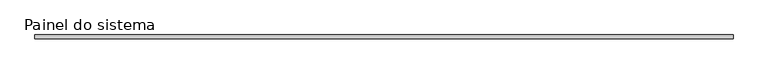
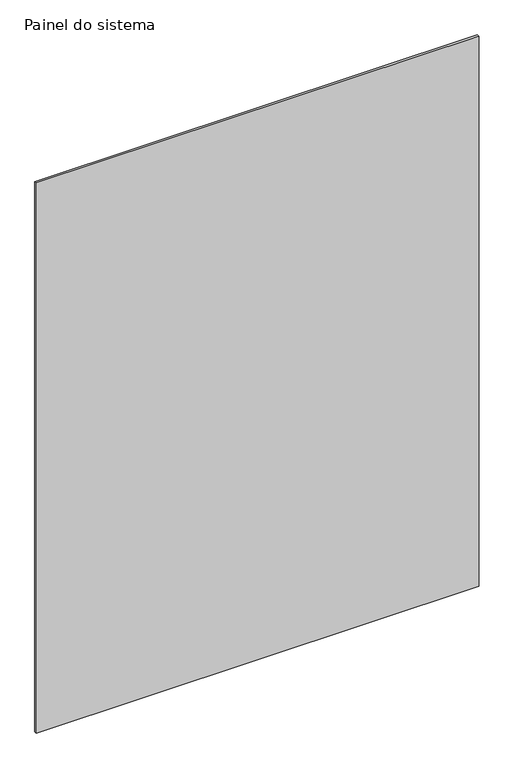
"""IFC4 building model written with IfcOpenShell, lengths in millimetres: plate geometry, Painel do sistema."""

import ifcopenshell
import ifcopenshell.guid

model = None  # the IFC model being written
_history = None  # IfcOwnerHistory: only IFC2X3 demands one
_inside = {}  # id of a spatial element -> (the spatial element, [elements in it])
_under = {}  # id of a project, library or spatial element -> (it, [spatial elements below it])
_declared = {}  # id of a project -> (the project, [libraries it declares])
_typed = {}  # id of a type object -> (the type object, [elements of that type])
_made_of = {}  # id of a material, layer set ... -> (it, [elements and type objects made of it])


def new_model(schema):
    """Start an empty IFC model of exactly this schema.

    Asked for "IFC4X3", IfcOpenShell would pick the latest addendum, in which some entities
    have other attributes; the version numbers below select the first issue.
    IFC2X3 requires an IfcOwnerHistory on every rooted entity: one is made here for all.
    """
    global model, _history
    if schema == "IFC4X3":
        model = ifcopenshell.file(schema_version=(4, 3, 0, 0))
    else:
        model = ifcopenshell.file(schema=schema)
    _inside.clear()
    _under.clear()
    _declared.clear()
    _typed.clear()
    _made_of.clear()
    _history = None
    if model.schema == "IFC2X3":
        org = make("IfcOrganization", Name="unknown")
        user = make(
            "IfcPersonAndOrganization",
            ThePerson=make("IfcPerson", FamilyName="unknown"),
            TheOrganization=org,
        )
        app = make(
            "IfcApplication",
            ApplicationDeveloper=org,
            Version="unknown",
            ApplicationFullName="unknown",
            ApplicationIdentifier="unknown",
        )
        _history = make(
            "IfcOwnerHistory",
            OwningUser=user,
            OwningApplication=app,
            ChangeAction="ADDED",
            CreationDate=0,
        )
    return model


def make(cls, **values):
    """One entity of the class cls with the attributes given. An attribute that is None is left unset."""
    return model.create_entity(
        cls, **{name: value for name, value in values.items() if value is not None}
    )


def rooted(cls, **values):
    """An entity with a GlobalId (a new one), such as an element, a storey or a relation."""
    return make(cls, GlobalId=ifcopenshell.guid.new(), OwnerHistory=_history, **values)


def si_unit(unit_type, name, prefix=None):
    """IfcSIUnit, for example si_unit("LENGTHUNIT", "METRE", prefix="MILLI")."""
    return make("IfcSIUnit", UnitType=unit_type, Prefix=prefix, Name=name)


def assignment(units):
    """IfcUnitAssignment: the units of a project."""
    return None if units is None else make("IfcUnitAssignment", Units=units)


def point(xyz):
    """IfcCartesianPoint."""
    return None if xyz is None else make("IfcCartesianPoint", Coordinates=xyz)


def direction(xyz):
    """IfcDirection."""
    return None if xyz is None else make("IfcDirection", DirectionRatios=xyz)


def frame(location, z_axis=None, x_axis=None):
    """IfcAxis2Placement3D, a coordinate frame: its origin and axes. An axis left out is left unset."""
    return make(
        "IfcAxis2Placement3D",
        Location=point(location),
        Axis=direction(z_axis),
        RefDirection=direction(x_axis),
    )


def origin():
    """The frame at (0, 0, 0) with its axes left unset."""
    return frame((0.0, 0.0, 0.0))


def origin_with_axes():
    """The frame at (0, 0, 0) with the z axis (0, 0, 1) and the x axis (1, 0, 0) written out."""
    return frame((0.0, 0.0, 0.0), z_axis=(0.0, 0.0, 1.0), x_axis=(1.0, 0.0, 0.0))


def place(relative_to, where):
    """IfcLocalPlacement: puts the frame where relative to a parent placement (None: the world)."""
    return make(
        "IfcLocalPlacement", PlacementRelTo=relative_to, RelativePlacement=where
    )


def context(
    kind, dimensions, precision=None, world=None, true_north=None, identifier=None
):
    """IfcGeometricRepresentationContext, for example the 3D "Model" context."""
    return make(
        "IfcGeometricRepresentationContext",
        ContextIdentifier=identifier,
        ContextType=kind,
        CoordinateSpaceDimension=dimensions,
        Precision=precision,
        WorldCoordinateSystem=world,
        TrueNorth=true_north,
    )


def project(units=None, contexts=None):
    """IfcProject with its units and contexts."""
    return rooted(
        "IfcProject",
        Name="project",
        RepresentationContexts=contexts,
        UnitsInContext=assignment(units),
    )


def spatial(cls, under=None, at=None, **own):
    """A site, building, storey or space (cls), placed at a placement, below another one or the project."""
    s = rooted(cls, ObjectPlacement=at, **own)
    if under is not None:
        _under.setdefault(under.id(), (under, []))[1].append(s)
    return s


def polyline(points):
    """IfcPolyline through the points."""
    return make("IfcPolyline", Points=[point(p) for p in points])


def outline(outer, holes=None, kind="AREA"):
    """IfcArbitraryClosedProfileDef: a profile drawn as a closed curve; with holes, ...WithVoids."""
    if holes is None:
        return make("IfcArbitraryClosedProfileDef", ProfileType=kind, OuterCurve=outer)
    return make(
        "IfcArbitraryProfileDefWithVoids",
        ProfileType=kind,
        OuterCurve=outer,
        InnerCurves=holes,
    )


def extrude(swept, where, along, depth):
    """IfcExtrudedAreaSolid: the profile swept, set in the frame where, extruded along a direction by depth."""
    return make(
        "IfcExtrudedAreaSolid",
        SweptArea=swept,
        Position=where,
        ExtrudedDirection=direction(along),
        Depth=depth,
    )


def shape(context_of_items, identifier, shape_type, items):
    """IfcShapeRepresentation: the items that make up one representation, for example the "Body"."""
    return make(
        "IfcShapeRepresentation",
        ContextOfItems=context_of_items,
        RepresentationIdentifier=identifier,
        RepresentationType=shape_type,
        Items=items,
    )


def source(mapping_origin, context_of_items, identifier, shape_type, items):
    """IfcRepresentationMap: a shape defined once, which mapped items show again and again."""
    return make(
        "IfcRepresentationMap",
        MappingOrigin=mapping_origin,
        MappedRepresentation=shape(context_of_items, identifier, shape_type, items),
    )


def transform(
    local_origin,
    x_axis=None,
    y_axis=None,
    z_axis=None,
    scale=None,
    scale2=None,
    scale3=None,
    uniform=True,
):
    """IfcCartesianTransformationOperator3D, or its non-uniform kind. x_axis, y_axis, z_axis: its Axis1, 2, 3."""
    if uniform:
        return make(
            "IfcCartesianTransformationOperator3D",
            Axis1=direction(x_axis),
            Axis2=direction(y_axis),
            LocalOrigin=point(local_origin),
            Scale=scale,
            Axis3=direction(z_axis),
        )
    return make(
        "IfcCartesianTransformationOperator3DnonUniform",
        Axis1=direction(x_axis),
        Axis2=direction(y_axis),
        LocalOrigin=point(local_origin),
        Scale=scale,
        Axis3=direction(z_axis),
        Scale2=scale2,
        Scale3=scale3,
    )


def mapped(mapping_source, mapping_target):
    """IfcMappedItem: shows the shape of a source again, moved by a transform."""
    return make(
        "IfcMappedItem", MappingSource=mapping_source, MappingTarget=mapping_target
    )


def made_of(thing, what):
    """Note that an element or type object is made of a material, layer set ...; save() writes the relation."""
    if what is not None:
        _made_of.setdefault(what.id(), (what, []))[1].append(thing)
    return thing


def element(
    cls,
    number,
    at=None,
    inside=None,
    cuts=None,
    type_object=None,
    material=None,
    context=None,
    identifier="Body",
    shape_type=None,
    held_by="IfcProductDefinitionShape",
    body=None,
    shapes=None,
    **own,
):
    """One element of the class cls, such as IfcWall. Its Tag is "e" and its number.

    at: its placement. inside: the storey or other place that contains it. cuts: it is an
    opening in that element (IfcRelVoidsElement). A single representation is given by context,
    identifier, shape_type and body (its items); several are given by shapes. held_by: the class
    of the entity that holds the representations. save() writes the other relations.
    """
    e = rooted(cls, Tag="e%d" % number, ObjectPlacement=at, **own)
    if body is not None:
        shapes = [shape(context, identifier, shape_type, body)]
    if shapes is not None:
        e.Representation = make(held_by, Representations=shapes)
    if inside is not None:
        _inside.setdefault(inside.id(), (inside, []))[1].append(e)
    if cuts is not None:
        rooted(
            "IfcRelVoidsElement", RelatingBuildingElement=cuts, RelatedOpeningElement=e
        )
    if type_object is not None:
        _typed.setdefault(type_object.id(), (type_object, []))[1].append(e)
    return made_of(e, material)


def aggregate(whole, parts):
    """IfcRelAggregates: a whole, such as a stair, and the parts it consists of."""
    return rooted("IfcRelAggregates", RelatingObject=whole, RelatedObjects=parts)


def save(model, path):
    """Write the relations noted so far, then the file.

    IfcRelAggregates (storeys below a building ...), IfcRelContainedInSpatialStructure (elements
    in a storey), IfcRelDefinesByType, IfcRelAssociatesMaterial and IfcRelDeclares: one each for
    every whole, place, type object, material and project.
    """
    for whole, parts in _under.values():
        aggregate(whole, parts)
    for where, things in _inside.values():
        rooted(
            "IfcRelContainedInSpatialStructure",
            RelatedElements=things,
            RelatingStructure=where,
        )
    for kind, things in _typed.values():
        rooted("IfcRelDefinesByType", RelatedObjects=things, RelatingType=kind)
    for what, things in _made_of.values():
        rooted("IfcRelAssociatesMaterial", RelatedObjects=things, RelatingMaterial=what)
    for by, libraries in _declared.values():
        rooted("IfcRelDeclares", RelatingContext=by, RelatedDefinitions=libraries)
    model.write(path)


def painel_do_sistema_cfdf01eb(model_context):
    return source(origin(), model_context, "Body", "SweptSolid", [
        extrude(outline(polyline([(2302.8429503, 24.5), (-2302.8429503, 24.5), (-2302.8429503, 49.5), (2302.8429503, 49.5), (2302.8429503, 24.5)])), origin_with_axes(), (0.0, 0.0, 1.0), 6050.0),
    ])


if __name__ == "__main__":
    model = new_model("IFC4")
    model_context = context("Model", 3, world=origin())
    ifc_project = project(units=[si_unit("LENGTHUNIT", "METRE", prefix="MILLI")], contexts=[model_context])
    site = spatial("IfcSite", under=ifc_project)
    building = spatial("IfcBuilding", under=site)
    placement = place(None, origin())
    painel_do_sistema_shape = painel_do_sistema_cfdf01eb(model_context)
    element("IfcPlate", 1, ObjectType="Painel do sistema", at=placement, inside=building, context=model_context, shape_type="MappedRepresentation", body=[
        mapped(painel_do_sistema_shape, transform((0.0, 0.0, 0.0), x_axis=(1.0, 0.0, 0.0), y_axis=(0.0, 1.0, 0.0), z_axis=(0.0, 0.0, 1.0))),
    ])
    save(model, "model.ifc")
